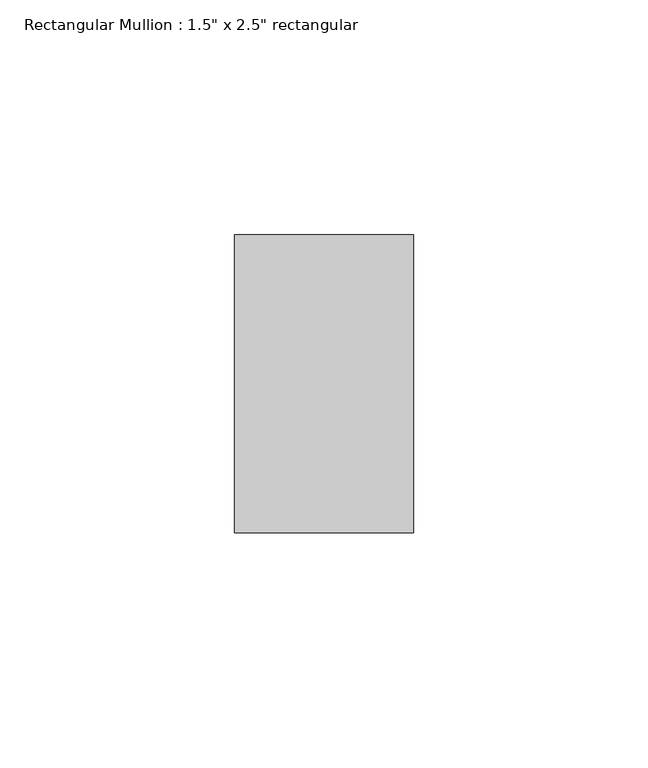
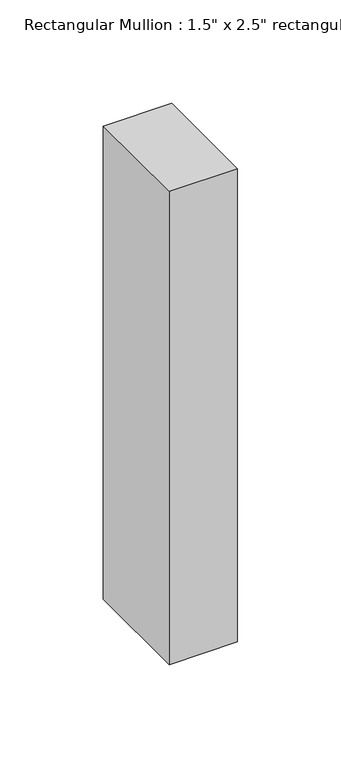
"""IFC4 building model written with IfcOpenShell, lengths in millimetres: member geometry."""

from ifc_helpers import new_model, si_unit, frame, origin, place, context, project, spatial, polyline, outline, extrude, source, transform, mapped, element, save


def member_c963fe19(model_context):
    return source(origin(), model_context, "Body", "SweptSolid", [
        extrude(outline(polyline([(0.0, 31.75), (0.0, -31.75), (-38.1, -31.75), (-38.1, 31.75), (0.0, 31.75)])), frame((0.0, 0.0, -279.4), z_axis=(0.0, 0.0, 1.0), x_axis=(1.0, 0.0, 0.0)), (0.0, 0.0, 1.0), 279.4),
    ])


if __name__ == "__main__":
    model = new_model("IFC4")
    model_context = context("Model", 3, world=origin())
    ifc_project = project(units=[si_unit("LENGTHUNIT", "METRE", prefix="MILLI")], contexts=[model_context])
    site = spatial("IfcSite", under=ifc_project)
    building = spatial("IfcBuilding", under=site)
    placement = place(None, origin())
    member_shape = member_c963fe19(model_context)
    element("IfcMember", 1, ObjectType="Rectangular Mullion : 1.5\" x 2.5\" rectangular", at=placement, inside=building, context=model_context, shape_type="MappedRepresentation", body=[
        mapped(member_shape, transform((0.0, 0.0, 0.0), x_axis=(1.0, 0.0, 0.0), y_axis=(0.0, 1.0, 0.0), z_axis=(0.0, 0.0, 1.0))),
    ])
    save(model, "model.ifc")
